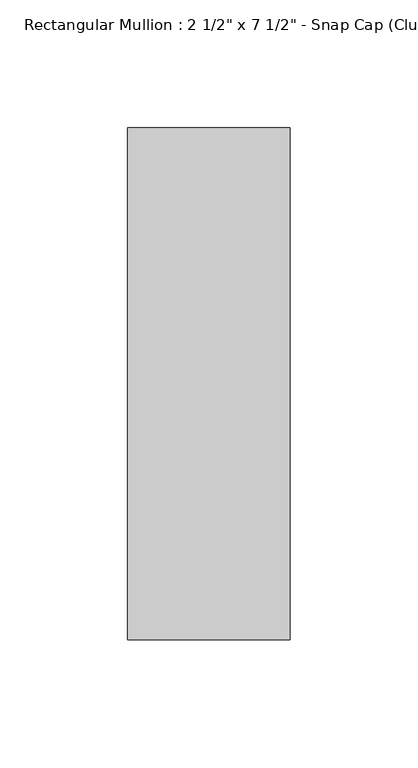
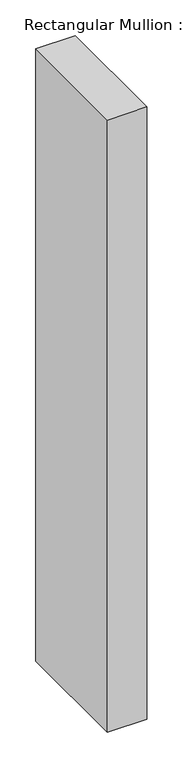
"""IFC4 building model written with IfcOpenShell, lengths in millimetres: member geometry."""

from ifc_helpers import new_model, si_unit, frame, origin, place, context, project, spatial, polyline, outline, extrude, source, transform, mapped, element, save


def member_1651fdf5(model_context):
    return source(origin(), model_context, "Body", "SweptSolid", [
        extrude(outline(polyline([(31.75, 25.8), (31.75, -174.2), (-31.75, -174.2), (-31.75, 25.8), (31.75, 25.8)])), frame((0.0, 0.0, -1043.2727273), z_axis=(0.0, 0.0, 1.0), x_axis=(1.0, 0.0, 0.0)), (0.0, 0.0, 1.0), 1043.2727273),
    ])


if __name__ == "__main__":
    model = new_model("IFC4")
    model_context = context("Model", 3, world=origin())
    ifc_project = project(units=[si_unit("LENGTHUNIT", "METRE", prefix="MILLI")], contexts=[model_context])
    site = spatial("IfcSite", under=ifc_project)
    building = spatial("IfcBuilding", under=site)
    placement = place(None, origin())
    member_shape = member_1651fdf5(model_context)
    element("IfcMember", 1, ObjectType="Rectangular Mullion : 2 1/2\" x 7 1/2\" - Snap Cap (Club)", at=placement, inside=building, context=model_context, shape_type="MappedRepresentation", body=[
        mapped(member_shape, transform((0.0, 0.0, 0.0), x_axis=(1.0, 0.0, 0.0), y_axis=(0.0, 1.0, 0.0), z_axis=(0.0, 0.0, 1.0))),
    ])
    save(model, "model.ifc")
